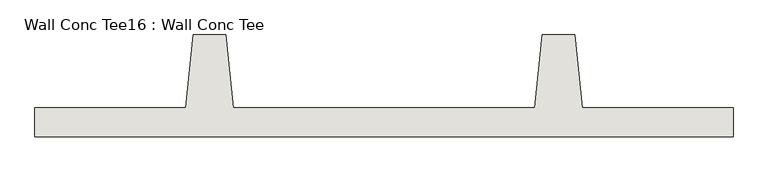
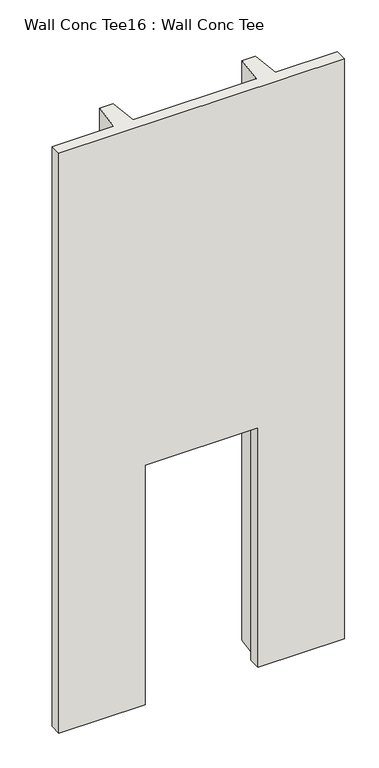
"""IFC4 building model written with IfcOpenShell, lengths in millimetres: wall geometry, Wall Conc Tee16 : Wall Conc Tee."""

from ifc_helpers import new_model, si_unit, origin, place, context, project, spatial, faceted_brep, source, transform, mapped, element, save


def wall_conc_tee16_wall_conc_tee_b6e88bd3(model_context):
    return source(origin(), model_context, "Body", "Brep", [
        faceted_brep([(207734.6728488, 180886.8596581, 5376.1679688), (210173.0728488, 180886.8596581, 5376.1679688), (210173.0728488, 180988.4596581, 5376.1679688), (209646.0228488, 180988.4596581, 5376.1679688), (209620.6228488, 181242.4596581, 5376.1679688), (209506.3228488, 181242.4596581, 5376.1679688), (209480.9228488, 180988.4596581, 5376.1679688), (208426.8228488, 180988.4596581, 5376.1679688), (208401.4228488, 181242.4596581, 5376.1679688), (208287.1228488, 181242.4596581, 5376.1679688), (208261.7228488, 180988.4596581, 5376.1679688), (207734.6728488, 180988.4596581, 5376.1679688), (210173.0728488, 180988.4596581, 143.7592564), (210173.0728488, 180886.8596581, 143.7592564), (209436.4728488, 180886.8596581, 143.7592564), (209436.4728488, 180988.4596581, 143.7592564), (209480.9228488, 180988.4596581, 143.7592564), (209506.3228488, 181242.4596581, 143.7592564), (209620.6228488, 181242.4596581, 143.7592564), (209646.0228488, 180988.4596581, 143.7592564), (208401.4228488, 181242.4596581, 143.7592564), (208426.8228488, 180988.4596581, 143.7592564), (208471.2728488, 180988.4596581, 143.7592564), (208471.2728488, 180886.8596581, 143.7592564), (207734.6728488, 180886.8596581, 143.7592564), (207734.6728488, 180988.4596581, 143.7592564), (208261.7228488, 180988.4596581, 143.7592564), (208287.1228488, 181242.4596581, 143.7592564), (208471.2728488, 180886.8596581, 2302.7592564), (209436.4728488, 180886.8596581, 2302.7592564), (209436.4728488, 180988.4596581, 2302.7592564), (208471.2728488, 180988.4596581, 2302.7592564)], [[[0, 1, 2, 3, 4, 5, 6, 7, 8, 9, 10, 11]], [[12, 13, 14, 15, 16, 17, 18, 19]], [[20, 21, 22, 23, 24, 25, 26, 27]], [[1, 0, 24, 23, 28, 29, 14, 13]], [[0, 11, 25, 24]], [[11, 10, 26, 25]], [[10, 9, 27, 26]], [[9, 8, 20, 27]], [[8, 7, 21, 20]], [[7, 6, 16, 15, 30, 31, 22, 21]], [[6, 5, 17, 16]], [[5, 4, 18, 17]], [[4, 3, 19, 18]], [[3, 2, 12, 19]], [[2, 1, 13, 12]], [[29, 30, 15, 14]], [[30, 29, 28, 31]], [[31, 28, 23, 22]]]),
    ])


if __name__ == "__main__":
    model = new_model("IFC4")
    model_context = context("Model", 3, world=origin())
    ifc_project = project(units=[si_unit("LENGTHUNIT", "METRE", prefix="MILLI")], contexts=[model_context])
    site = spatial("IfcSite", under=ifc_project)
    building = spatial("IfcBuilding", under=site)
    placement = place(None, origin())
    wall_conc_tee16_wall_conc_tee_shape = wall_conc_tee16_wall_conc_tee_b6e88bd3(model_context)
    element("IfcWall", 1, ObjectType="Wall Conc Tee16 : Wall Conc Tee", at=placement, inside=building, context=model_context, shape_type="MappedRepresentation", body=[
        mapped(wall_conc_tee16_wall_conc_tee_shape, transform((0.0, 0.0, 0.0), x_axis=(1.0, 0.0, 0.0), y_axis=(0.0, 1.0, 0.0), z_axis=(0.0, 0.0, 1.0))),
    ])
    save(model, "model.ifc")
